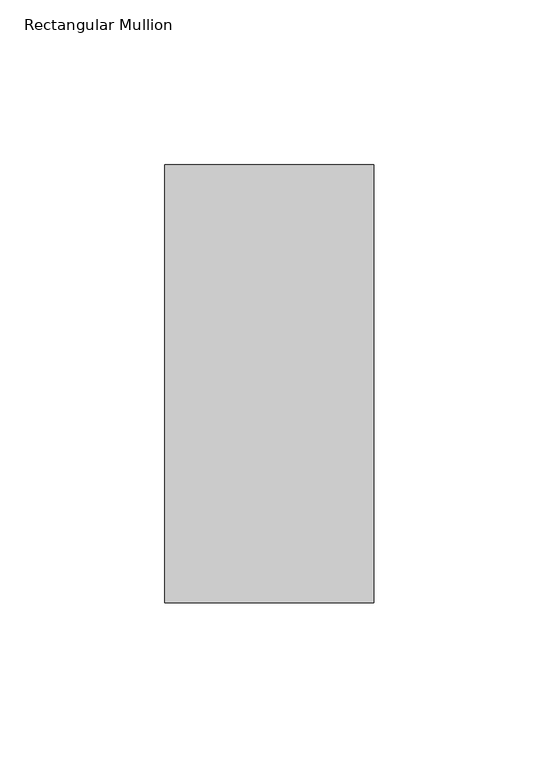
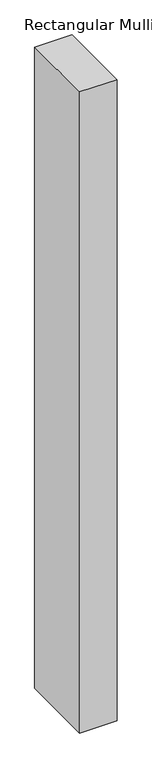
"""IFC4 building model written with IfcOpenShell, lengths in millimetres: member geometry, Rectangular Mullion."""

from ifc_helpers import new_model, si_unit, frame, origin, place, context, project, spatial, polyline, outline, extrude, source, transform, mapped, element, save


def rectangular_mullion_4283160b(model_context):
    return source(origin(), model_context, "Body", "SweptSolid", [
        extrude(outline(polyline([(31.75, 190.5896938), (31.75, 57.6460937), (-31.75, 57.6460937), (-31.75, 190.5896938), (31.75, 190.5896938)])), frame((0.0, 0.0, -1155.7), z_axis=(0.0, 0.0, 1.0), x_axis=(1.0, 0.0, 0.0)), (0.0, 0.0, 1.0), 1155.7),
    ])


if __name__ == "__main__":
    model = new_model("IFC4")
    model_context = context("Model", 3, world=origin())
    ifc_project = project(units=[si_unit("LENGTHUNIT", "METRE", prefix="MILLI")], contexts=[model_context])
    site = spatial("IfcSite", under=ifc_project)
    building = spatial("IfcBuilding", under=site)
    placement = place(None, origin())
    rectangular_mullion_shape = rectangular_mullion_4283160b(model_context)
    element("IfcMember", 1, ObjectType="Rectangular Mullion", at=placement, inside=building, context=model_context, shape_type="MappedRepresentation", body=[
        mapped(rectangular_mullion_shape, transform((0.0, 0.0, 0.0), x_axis=(1.0, 0.0, 0.0), y_axis=(0.0, 1.0, 0.0), z_axis=(0.0, 0.0, 1.0))),
    ])
    save(model, "model.ifc")
